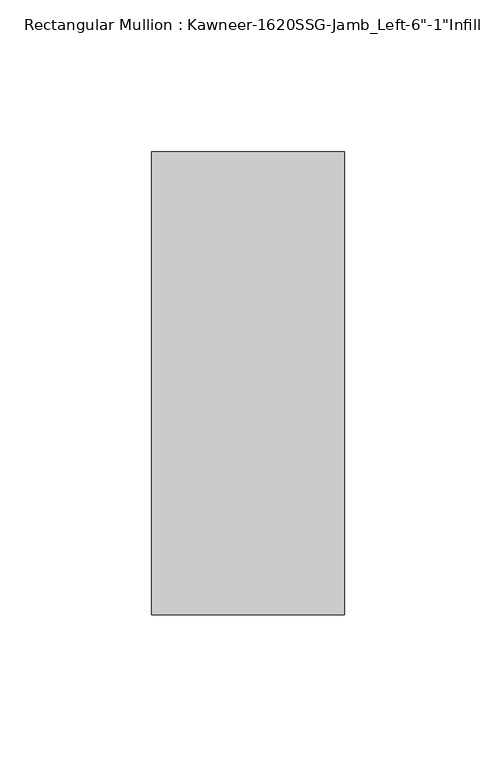
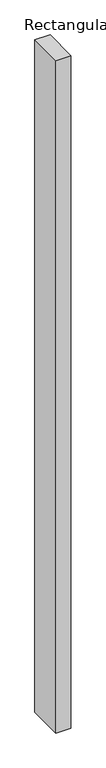
"""IFC4 building model written with IfcOpenShell, lengths in millimetres: member geometry."""

from ifc_helpers import new_model, si_unit, frame, origin, place, context, project, spatial, polyline, outline, extrude, source, transform, mapped, element, save


def member_c89e64e1(model_context):
    return source(origin(), model_context, "Body", "SweptSolid", [
        extrude(outline(polyline([(-63.5, 38.1), (0.0, 38.1), (0.0, -114.3), (-63.5, -114.3), (-63.5, 38.1)])), frame((0.0, 0.0, -2984.5), z_axis=(0.0, 0.0, 1.0), x_axis=(1.0, 0.0, 0.0)), (0.0, 0.0, 1.0), 2984.5),
    ])


if __name__ == "__main__":
    model = new_model("IFC4")
    model_context = context("Model", 3, world=origin())
    ifc_project = project(units=[si_unit("LENGTHUNIT", "METRE", prefix="MILLI")], contexts=[model_context])
    site = spatial("IfcSite", under=ifc_project)
    building = spatial("IfcBuilding", under=site)
    placement = place(None, origin())
    member_shape = member_c89e64e1(model_context)
    element("IfcMember", 1, ObjectType="Rectangular Mullion : Kawneer-1620SSG-Jamb_Left-6\"-1\"Infill", at=placement, inside=building, context=model_context, shape_type="MappedRepresentation", body=[
        mapped(member_shape, transform((0.0, 0.0, 0.0), x_axis=(1.0, 0.0, 0.0), y_axis=(0.0, 1.0, 0.0), z_axis=(0.0, 0.0, 1.0))),
    ])
    save(model, "model.ifc")
